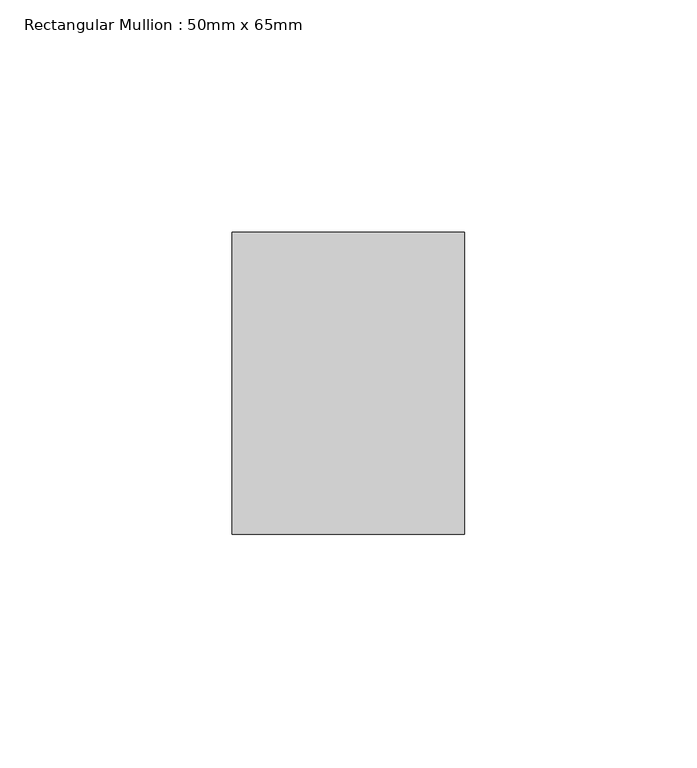
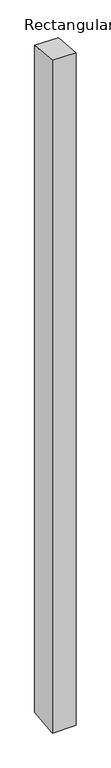
"""IFC4 building model written with IfcOpenShell, lengths in millimetres: member geometry, Rectangular Mullion : 50mm x 65mm."""

from ifc_helpers import new_model, si_unit, origin, place, context, project, spatial, faceted_brep, source, transform, mapped, element, save


def rectangular_mullion_50mm_x_65mm_c0d16e9c(model_context):
    return source(origin(), model_context, "Body", "Brep", [
        faceted_brep([(-25.0, 32.5, -2.991155), (25.0, 32.5, -2.9911554), (25.0, 32.5, -1496.6283281), (-25.0, 32.5, -1496.6283285), (-25.0, -32.5, 2.9911554), (-25.0, -32.5, -1503.3716897), (25.0, -32.5, 2.991155), (25.0, -32.5, -1503.3716892)], [[[0, 1, 2, 3]], [[4, 0, 3, 5]], [[6, 4, 5, 7]], [[1, 6, 7, 2]], [[1, 0, 4, 6]], [[2, 7, 5, 3]]]),
    ])


if __name__ == "__main__":
    model = new_model("IFC4")
    model_context = context("Model", 3, world=origin())
    ifc_project = project(units=[si_unit("LENGTHUNIT", "METRE", prefix="MILLI")], contexts=[model_context])
    site = spatial("IfcSite", under=ifc_project)
    building = spatial("IfcBuilding", under=site)
    placement = place(None, origin())
    rectangular_mullion_50mm_x_65mm_shape = rectangular_mullion_50mm_x_65mm_c0d16e9c(model_context)
    element("IfcMember", 1, ObjectType="Rectangular Mullion : 50mm x 65mm", at=placement, inside=building, context=model_context, shape_type="MappedRepresentation", body=[
        mapped(rectangular_mullion_50mm_x_65mm_shape, transform((0.0, 0.0, 0.0), x_axis=(1.0, 0.0, 0.0), y_axis=(0.0, 1.0, 0.0), z_axis=(0.0, 0.0, 1.0))),
    ])
    save(model, "model.ifc")
